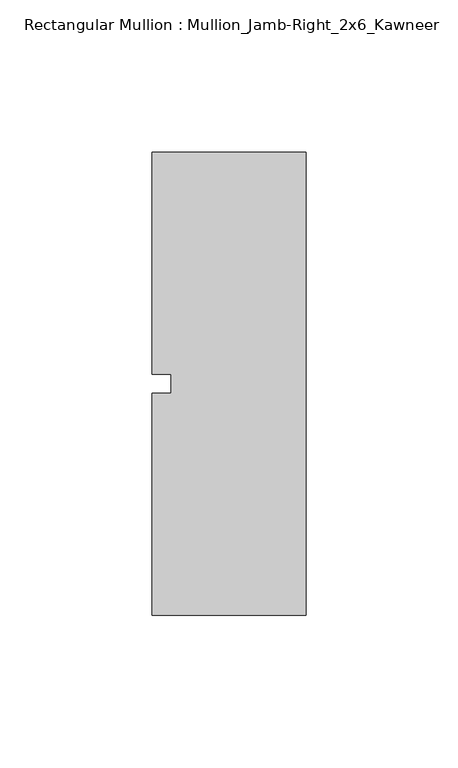
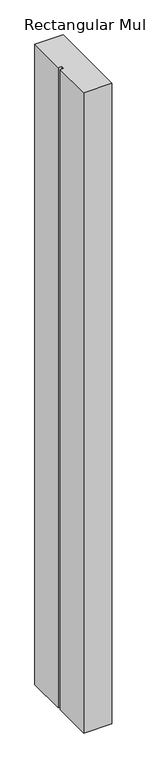
"""IFC4 building model written with IfcOpenShell, lengths in millimetres: member geometry, Rectangular Mullion : Mullion_Jamb-Right_2x6_Kawneer."""

from ifc_helpers import new_model, si_unit, frame, origin, place, context, project, spatial, polyline, outline, extrude, source, transform, mapped, element, save


def rectangular_mullion_mullion_jamb_right_2x6_kawneer_bd19eb3f(model_context):
    return source(origin(), model_context, "Body", "SweptSolid", [
        extrude(outline(polyline([(-50.8, 76.2), (0.0, 76.2), (0.0, -76.2), (-50.8, -76.2), (-50.8, -3.175), (-44.45, -3.175), (-44.45, 3.175), (-50.8, 3.175), (-50.8, 76.2)])), frame((0.0, 0.0, -1219.2), z_axis=(0.0, 0.0, 1.0), x_axis=(1.0, 0.0, 0.0)), (0.0, 0.0, 1.0), 1219.2),
    ])


if __name__ == "__main__":
    model = new_model("IFC4")
    model_context = context("Model", 3, world=origin())
    ifc_project = project(units=[si_unit("LENGTHUNIT", "METRE", prefix="MILLI")], contexts=[model_context])
    site = spatial("IfcSite", under=ifc_project)
    building = spatial("IfcBuilding", under=site)
    placement = place(None, origin())
    rectangular_mullion_mullion_jamb_right_2x6_kawneer_shape = rectangular_mullion_mullion_jamb_right_2x6_kawneer_bd19eb3f(model_context)
    element("IfcMember", 1, ObjectType="Rectangular Mullion : Mullion_Jamb-Right_2x6_Kawneer", at=placement, inside=building, context=model_context, shape_type="MappedRepresentation", body=[
        mapped(rectangular_mullion_mullion_jamb_right_2x6_kawneer_shape, transform((0.0, 0.0, 0.0), x_axis=(1.0, 0.0, 0.0), y_axis=(0.0, 1.0, 0.0), z_axis=(0.0, 0.0, 1.0))),
    ])
    save(model, "model.ifc")
